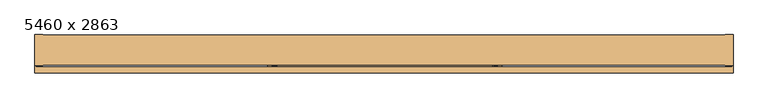
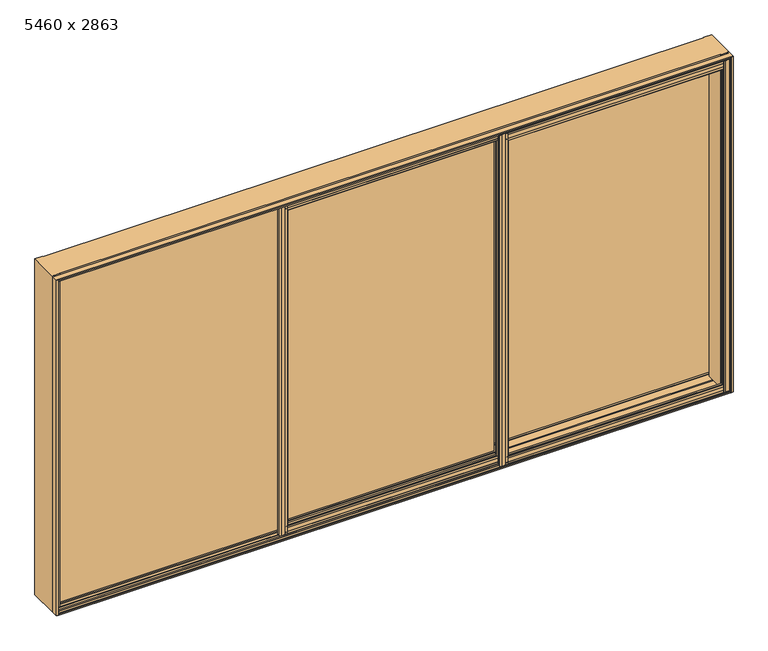
"""IFC4 building model written with IfcOpenShell, lengths in millimetres: door geometry, 5460 x 2863."""

import ifcopenshell
import ifcopenshell.guid

model = None  # the IFC model being written
_history = None  # IfcOwnerHistory: only IFC2X3 demands one
_inside = {}  # id of a spatial element -> (the spatial element, [elements in it])
_under = {}  # id of a project, library or spatial element -> (it, [spatial elements below it])
_declared = {}  # id of a project -> (the project, [libraries it declares])
_typed = {}  # id of a type object -> (the type object, [elements of that type])
_made_of = {}  # id of a material, layer set ... -> (it, [elements and type objects made of it])


def new_model(schema):
    """Start an empty IFC model of exactly this schema.

    Asked for "IFC4X3", IfcOpenShell would pick the latest addendum, in which some entities
    have other attributes; the version numbers below select the first issue.
    IFC2X3 requires an IfcOwnerHistory on every rooted entity: one is made here for all.
    """
    global model, _history
    if schema == "IFC4X3":
        model = ifcopenshell.file(schema_version=(4, 3, 0, 0))
    else:
        model = ifcopenshell.file(schema=schema)
    _inside.clear()
    _under.clear()
    _declared.clear()
    _typed.clear()
    _made_of.clear()
    _history = None
    if model.schema == "IFC2X3":
        org = make("IfcOrganization", Name="unknown")
        user = make(
            "IfcPersonAndOrganization",
            ThePerson=make("IfcPerson", FamilyName="unknown"),
            TheOrganization=org,
        )
        app = make(
            "IfcApplication",
            ApplicationDeveloper=org,
            Version="unknown",
            ApplicationFullName="unknown",
            ApplicationIdentifier="unknown",
        )
        _history = make(
            "IfcOwnerHistory",
            OwningUser=user,
            OwningApplication=app,
            ChangeAction="ADDED",
            CreationDate=0,
        )
    return model


def make(cls, **values):
    """One entity of the class cls with the attributes given. An attribute that is None is left unset."""
    return model.create_entity(
        cls, **{name: value for name, value in values.items() if value is not None}
    )


def rooted(cls, **values):
    """An entity with a GlobalId (a new one), such as an element, a storey or a relation."""
    return make(cls, GlobalId=ifcopenshell.guid.new(), OwnerHistory=_history, **values)


def si_unit(unit_type, name, prefix=None):
    """IfcSIUnit, for example si_unit("LENGTHUNIT", "METRE", prefix="MILLI")."""
    return make("IfcSIUnit", UnitType=unit_type, Prefix=prefix, Name=name)


def assignment(units):
    """IfcUnitAssignment: the units of a project."""
    return None if units is None else make("IfcUnitAssignment", Units=units)


def point(xyz):
    """IfcCartesianPoint."""
    return None if xyz is None else make("IfcCartesianPoint", Coordinates=xyz)


def direction(xyz):
    """IfcDirection."""
    return None if xyz is None else make("IfcDirection", DirectionRatios=xyz)


def frame(location, z_axis=None, x_axis=None):
    """IfcAxis2Placement3D, a coordinate frame: its origin and axes. An axis left out is left unset."""
    return make(
        "IfcAxis2Placement3D",
        Location=point(location),
        Axis=direction(z_axis),
        RefDirection=direction(x_axis),
    )


def origin():
    """The frame at (0, 0, 0) with its axes left unset."""
    return frame((0.0, 0.0, 0.0))


def origin_with_axes():
    """The frame at (0, 0, 0) with the z axis (0, 0, 1) and the x axis (1, 0, 0) written out."""
    return frame((0.0, 0.0, 0.0), z_axis=(0.0, 0.0, 1.0), x_axis=(1.0, 0.0, 0.0))


def place(relative_to, where):
    """IfcLocalPlacement: puts the frame where relative to a parent placement (None: the world)."""
    return make(
        "IfcLocalPlacement", PlacementRelTo=relative_to, RelativePlacement=where
    )


def context(
    kind, dimensions, precision=None, world=None, true_north=None, identifier=None
):
    """IfcGeometricRepresentationContext, for example the 3D "Model" context."""
    return make(
        "IfcGeometricRepresentationContext",
        ContextIdentifier=identifier,
        ContextType=kind,
        CoordinateSpaceDimension=dimensions,
        Precision=precision,
        WorldCoordinateSystem=world,
        TrueNorth=true_north,
    )


def project(units=None, contexts=None):
    """IfcProject with its units and contexts."""
    return rooted(
        "IfcProject",
        Name="project",
        RepresentationContexts=contexts,
        UnitsInContext=assignment(units),
    )


def spatial(cls, under=None, at=None, **own):
    """A site, building, storey or space (cls), placed at a placement, below another one or the project."""
    s = rooted(cls, ObjectPlacement=at, **own)
    if under is not None:
        _under.setdefault(under.id(), (under, []))[1].append(s)
    return s


def polyline(points):
    """IfcPolyline through the points."""
    return make("IfcPolyline", Points=[point(p) for p in points])


def outline(outer, holes=None, kind="AREA"):
    """IfcArbitraryClosedProfileDef: a profile drawn as a closed curve; with holes, ...WithVoids."""
    if holes is None:
        return make("IfcArbitraryClosedProfileDef", ProfileType=kind, OuterCurve=outer)
    return make(
        "IfcArbitraryProfileDefWithVoids",
        ProfileType=kind,
        OuterCurve=outer,
        InnerCurves=holes,
    )


def extrude(swept, where, along, depth):
    """IfcExtrudedAreaSolid: the profile swept, set in the frame where, extruded along a direction by depth."""
    return make(
        "IfcExtrudedAreaSolid",
        SweptArea=swept,
        Position=where,
        ExtrudedDirection=direction(along),
        Depth=depth,
    )


def faces_of(points, faces, orient=None, outer=None):
    """IfcFace entities. A face is a list of loops; a loop is a list of indices into points, from 0.

    orient and outer hold one flag for each loop. By default every Orientation is true, the
    first loop of a face is its IfcFaceOuterBound and the others are IfcFaceBound.
    """
    made = []
    for i, loops in enumerate(faces):
        bounds = []
        for j, loop in enumerate(loops):
            is_outer = j == 0 if outer is None else outer[i][j]
            bounds.append(
                make(
                    "IfcFaceOuterBound" if is_outer else "IfcFaceBound",
                    Bound=make("IfcPolyLoop", Polygon=[points[k] for k in loop]),
                    Orientation=True if orient is None else orient[i][j],
                )
            )
        made.append(make("IfcFace", Bounds=bounds))
    return made


def faceted_brep(points, faces, orient=None, outer=None, voids=None):
    """IfcFacetedBrep: a solid bounded by flat faces; with voids (closed shells), ...WithVoids."""
    shared = [point(p) for p in points]
    hull = make("IfcClosedShell", CfsFaces=faces_of(shared, faces, orient, outer))
    if voids is None:
        return make("IfcFacetedBrep", Outer=hull)
    return make(
        "IfcFacetedBrepWithVoids",
        Outer=hull,
        Voids=[
            make(cls, CfsFaces=faces_of(shared, fs, o, b)) for cls, fs, o, b in voids
        ],
    )


def shape(context_of_items, identifier, shape_type, items):
    """IfcShapeRepresentation: the items that make up one representation, for example the "Body"."""
    return make(
        "IfcShapeRepresentation",
        ContextOfItems=context_of_items,
        RepresentationIdentifier=identifier,
        RepresentationType=shape_type,
        Items=items,
    )


def source(mapping_origin, context_of_items, identifier, shape_type, items):
    """IfcRepresentationMap: a shape defined once, which mapped items show again and again."""
    return make(
        "IfcRepresentationMap",
        MappingOrigin=mapping_origin,
        MappedRepresentation=shape(context_of_items, identifier, shape_type, items),
    )


def transform(
    local_origin,
    x_axis=None,
    y_axis=None,
    z_axis=None,
    scale=None,
    scale2=None,
    scale3=None,
    uniform=True,
):
    """IfcCartesianTransformationOperator3D, or its non-uniform kind. x_axis, y_axis, z_axis: its Axis1, 2, 3."""
    if uniform:
        return make(
            "IfcCartesianTransformationOperator3D",
            Axis1=direction(x_axis),
            Axis2=direction(y_axis),
            LocalOrigin=point(local_origin),
            Scale=scale,
            Axis3=direction(z_axis),
        )
    return make(
        "IfcCartesianTransformationOperator3DnonUniform",
        Axis1=direction(x_axis),
        Axis2=direction(y_axis),
        LocalOrigin=point(local_origin),
        Scale=scale,
        Axis3=direction(z_axis),
        Scale2=scale2,
        Scale3=scale3,
    )


def mapped(mapping_source, mapping_target):
    """IfcMappedItem: shows the shape of a source again, moved by a transform."""
    return make(
        "IfcMappedItem", MappingSource=mapping_source, MappingTarget=mapping_target
    )


def made_of(thing, what):
    """Note that an element or type object is made of a material, layer set ...; save() writes the relation."""
    if what is not None:
        _made_of.setdefault(what.id(), (what, []))[1].append(thing)
    return thing


def element(
    cls,
    number,
    at=None,
    inside=None,
    cuts=None,
    type_object=None,
    material=None,
    context=None,
    identifier="Body",
    shape_type=None,
    held_by="IfcProductDefinitionShape",
    body=None,
    shapes=None,
    **own,
):
    """One element of the class cls, such as IfcWall. Its Tag is "e" and its number.

    at: its placement. inside: the storey or other place that contains it. cuts: it is an
    opening in that element (IfcRelVoidsElement). A single representation is given by context,
    identifier, shape_type and body (its items); several are given by shapes. held_by: the class
    of the entity that holds the representations. save() writes the other relations.
    """
    e = rooted(cls, Tag="e%d" % number, ObjectPlacement=at, **own)
    if body is not None:
        shapes = [shape(context, identifier, shape_type, body)]
    if shapes is not None:
        e.Representation = make(held_by, Representations=shapes)
    if inside is not None:
        _inside.setdefault(inside.id(), (inside, []))[1].append(e)
    if cuts is not None:
        rooted(
            "IfcRelVoidsElement", RelatingBuildingElement=cuts, RelatedOpeningElement=e
        )
    if type_object is not None:
        _typed.setdefault(type_object.id(), (type_object, []))[1].append(e)
    return made_of(e, material)


def aggregate(whole, parts):
    """IfcRelAggregates: a whole, such as a stair, and the parts it consists of."""
    return rooted("IfcRelAggregates", RelatingObject=whole, RelatedObjects=parts)


def save(model, path):
    """Write the relations noted so far, then the file.

    IfcRelAggregates (storeys below a building ...), IfcRelContainedInSpatialStructure (elements
    in a storey), IfcRelDefinesByType, IfcRelAssociatesMaterial and IfcRelDeclares: one each for
    every whole, place, type object, material and project.
    """
    for whole, parts in _under.values():
        aggregate(whole, parts)
    for where, things in _inside.values():
        rooted(
            "IfcRelContainedInSpatialStructure",
            RelatedElements=things,
            RelatingStructure=where,
        )
    for kind, things in _typed.values():
        rooted("IfcRelDefinesByType", RelatedObjects=things, RelatingType=kind)
    for what, things in _made_of.values():
        rooted("IfcRelAssociatesMaterial", RelatedObjects=things, RelatingMaterial=what)
    for by, libraries in _declared.values():
        rooted("IfcRelDeclares", RelatingContext=by, RelatedDefinitions=libraries)
    model.write(path)


def door_5460_x_2863_671ad5c5(model_context):
    return source(origin(), model_context, "Body", "SolidModel", [
        faceted_brep([(-2640.6421053, -113.75, 2846.1578947), (-2640.6421053, -111.75, 2846.1578947), (2693.0684211, -111.75, 2846.1578947), (2693.0684211, -113.75, 2846.1578947), (2756.2, -113.75, 2846.1578947), (2756.2, 126.25, 2846.1578947), (2693.0684211, 126.25, 2846.1578947), (2693.0684211, 123.6801444, 2846.1578947), (-2640.6684211, 123.6801444, 2846.1578947), (-2640.6684211, 126.25, 2846.1578947), (-2703.8, 126.25, 2846.1578947), (-2703.8, -113.75, 2846.1578947), (-2640.6684211, 126.25, -16.8421053), (-2640.6684211, 123.6801444, -16.8421053), (2693.0684211, 123.6801444, -16.8421053), (2693.0684211, 126.25, -16.8421053), (2756.2, 126.25, -16.8421053), (2756.2, -113.75, -16.8421053), (2693.0684211, -113.75, -16.8421053), (2693.0684211, -111.75, -16.8421053), (-2640.6421053, -111.75, -16.8421053), (-2640.6421053, -113.75, -16.8421053), (-2703.8, -113.75, -16.8421053), (-2703.8, 126.25, -16.8421053), (-2640.6421053, -111.75, 0.0), (-2640.6421053, -107.1507824, 0.0), (-2640.6421053, -107.1507824, 2782.6578949), (-2640.6421053, -111.75, 2782.6578949), (-2640.6421053, -107.1507824, 2827.0578949), (-2640.6421053, -109.9698442, 2827.0578949), (-2640.6421053, -109.9698442, 2795.6578949), (-2640.6421053, -107.1507824, 2795.6578949), (-2640.6684211, 123.6801444, 2782.6578949), (-2640.6684211, 119.65, 2782.6578949), (-2640.6684211, 119.65, 2795.6578949), (-2640.6684211, 121.8999885, 2795.6578949), (-2640.6684211, 121.8999885, 2826.6578949), (-2640.6684211, 87.9289475, 2826.6578949), (-2640.6684211, 87.9289475, 2831.3598923), (-2640.6684211, 66.7229624, 2831.3598923), (-2640.6684211, 66.7229624, 2826.6578949), (-2640.6684211, 47.7499996, 2826.6578949), (-2640.6684211, 47.7499996, 2782.2578949), (-2640.6684211, 41.5500037, 2782.2578949), (-2640.6684211, 41.5500037, 2826.6578949), (-2640.6684211, 9.8289474, 2826.6578949), (-2640.6684211, 9.8289474, 2831.3598923), (-2640.6684211, -11.0131579, 2831.3598923), (-2640.6684211, -11.0131579, 2826.6578949), (-2640.6684211, -30.3507824, 2826.6578949), (-2640.6684211, -30.3507824, 2782.6578949), (-2640.6684211, -35.8552632, 2782.6578949), (-2640.6684211, -35.8552632, 0.0), (-2640.6684211, -7.0131579, 0.0), (-2640.6684211, -7.0131579, -14.8421053), (-2640.6684211, 5.8289474, -14.8421053), (-2640.6684211, 5.8289474, 0.0), (-2640.6684211, 70.5657895, 0.0), (-2640.6684211, 70.5657895, -14.8421053), (-2640.6684211, 83.5131579, -14.8421053), (-2640.6684211, 83.5131579, 0.0), (-2640.6684211, 123.6801444, 0.0), (-2651.6999697, -35.8552632, 2782.6578949), (-2651.6999697, -35.8552632, 0.0), (-2651.6999697, -33.6447368, 2782.6578949), (-2651.6999697, -33.6447368, 0.0), (-2679.0, -33.6447368, 2782.6578949), (-2679.0, -33.6447368, 0.0), (-2679.0, -36.5507783, 2782.6578949), (-2679.0, -36.5507783, 2827.0578949), (-2679.0, -67.8552632, 2827.0578949), (-2679.0, -67.8552632, 2831.3598923), (-2679.0, -88.6973684, 2831.3598923), (-2679.0, -88.6973684, 2827.0578949), (-2679.0, -109.2507824, 2827.0578949), (-2679.0, -109.2507824, 2795.6578949), (-2679.0, -107.1507824, 2795.6578949), (-2679.0, -107.1507824, 2782.6578949), (-2679.0, -109.2507824, 2782.6578949), (-2679.0, -109.2507824, 0.0), (-2679.0, -84.6973684, 0.0), (-2679.0, -84.6973684, -14.8421053), (-2679.0, -71.8552632, -14.8421053), (-2679.0, -71.8552632, 0.0), (-2651.6999697, -109.2507824, 2827.0578949), (-2651.6999697, -109.2507824, 2795.6578949), (-2651.6999697, -109.2507824, 2782.6578949), (-2651.6999697, -109.2507824, 0.0), (-2651.6999697, -107.1507824, 2827.0578949), (-2651.6999697, -107.1507824, 2795.6578949), (-2651.6999697, -107.1507824, 2782.6578949), (-2651.6999697, -107.1507824, 0.0), (2693.0684211, -107.1507824, 2795.6578949), (2693.0684211, -107.1507824, 2782.6578949), (2693.0684211, -111.75, 2782.6578949), (2693.0684211, -109.9698442, 2795.6578949), (2693.0684211, -109.9698442, 2827.0578949), (2693.0684211, -88.6973684, 2827.0578949), (2693.0684211, -88.6973684, 2831.3598923), (2693.0684211, -67.8552632, 2831.3598923), (2693.0684211, -67.8552632, 2827.0578949), (2693.0684211, -36.5507783, 2827.0578949), (2693.0684211, -36.5507783, 2782.6578949), (2693.0684211, -30.3507824, 2782.6578949), (2693.0684211, -30.3507824, 2826.6578949), (2693.0684211, -11.0131579, 2826.6578949), (2693.0684211, -11.0131579, 2831.3598923), (2693.0684211, 9.8289474, 2831.3598923), (2693.0684211, 9.8289474, 2826.6578949), (2693.0684211, 41.5500037, 2826.6578949), (2693.0684211, 41.5500037, 2782.2578949), (2693.0684211, 47.7499996, 2782.2578949), (2693.0684211, 47.7499996, 2826.6578949), (2693.0684211, 48.1447368, 2826.6578949), (2693.0684211, 48.1447368, 0.0), (2693.0684211, 5.8289474, 0.0), (2693.0684211, 5.8289474, -14.8421053), (2693.0684211, -7.0131579, -14.8421053), (2693.0684211, -7.0131579, 0.0), (2693.0684211, -71.8552632, 0.0), (2693.0684211, -71.8552632, -14.8421053), (2693.0684211, -84.6973684, -14.8421053), (2693.0684211, -84.6973684, 0.0), (2693.0684211, -111.75, 0.0), (2703.9, 48.1447368, 2826.6578949), (2703.9, 48.1447368, 0.0), (2703.9, 47.7499996, 2826.6578949), (2703.9, 47.7499996, 2782.2578949), (2703.9, 45.6499996, 2782.2578949), (2703.9, 45.6499996, 0.0), (2731.5, 45.6499996, 2782.2578949), (2731.5, 45.6499996, 0.0), (2731.5, 47.7499996, 2782.2578949), (2731.5, 47.7499996, 2826.6578949), (2731.5, 66.7229624, 2826.6578949), (2731.5, 66.7229624, 2831.3598923), (2731.5, 87.9289475, 2831.3598923), (2731.5, 87.9289475, 2826.6578949), (2731.5, 121.8999885, 2826.6578949), (2731.5, 121.8999885, 2795.6578949), (2731.5, 119.65, 2795.6578949), (2731.5, 119.65, 2782.6578949), (2731.5, 123.6801444, 2782.6578949), (2731.5, 123.6801444, 0.0), (2731.5, 83.5131579, 0.0), (2731.5, 83.5131579, -14.8421053), (2731.5, 70.5657895, -14.8421053), (2731.5, 70.5657895, 0.0), (2704.3315789, 123.6801444, 2782.6578949), (2704.3315789, 123.6801444, 0.0), (2704.3315789, 119.65, 2782.6578949), (2704.3315789, 119.65, 0.0), (2704.3315789, 119.65, 2795.6578949), (2704.3315789, 121.8999885, 2795.6578949), (2704.3315789, 121.8999885, 2826.6578949), (2704.3315789, 119.65, 2826.6578949), (2693.0684211, 119.65, 2826.6578949), (2693.0684211, 119.65, 2795.6578949), (2693.0684211, 119.65, 2782.6578949), (2693.0684211, 119.65, 0.0), (2693.0684211, 123.6801444, 0.0), (2693.0684211, 123.6801444, 2782.6578949), (2693.0684211, 121.8999885, 2826.6578949), (2693.0684211, 121.8999885, 2795.6578949)], [[[0, 1, 2, 3, 4, 5, 6, 7, 8, 9, 10, 11]], [[12, 13, 14, 15, 16, 17, 18, 19, 20, 21, 22, 23]], [[11, 22, 21, 0]], [[10, 23, 22, 11]], [[9, 12, 23, 10]], [[21, 20, 24, 25, 26, 27, 1, 0]], [[28, 29, 30, 31]], [[9, 8, 32, 33, 34, 35, 36, 37, 38, 39, 40, 41, 42, 43, 44, 45, 46, 47, 48, 49, 50, 51, 52, 53, 54, 55, 56, 57, 58, 59, 60, 61, 13, 12]], [[51, 62, 63, 52]], [[62, 64, 65, 63]], [[64, 66, 67, 65]], [[66, 68, 69, 70, 71, 72, 73, 74, 75, 76, 77, 78, 79, 80, 81, 82, 83, 67]], [[74, 84, 85, 75]], [[78, 86, 87, 79]], [[84, 88, 89, 85]], [[86, 90, 91, 87]], [[31, 92, 93, 26, 25, 91, 90, 77, 76, 89, 88, 28]], [[3, 18, 17, 4]], [[3, 2, 94, 93, 92, 95, 96, 97, 98, 99, 100, 101, 102, 103, 104, 105, 106, 107, 108, 109, 110, 111, 112, 113, 114, 115, 116, 117, 118, 119, 120, 121, 122, 123, 19, 18]], [[113, 124, 125, 114]], [[124, 126, 127, 128, 129, 125]], [[128, 130, 131, 129]], [[130, 132, 133, 134, 135, 136, 137, 138, 139, 140, 141, 142, 143, 144, 145, 146, 147, 131]], [[142, 148, 149, 143]], [[148, 150, 151, 149]], [[152, 153, 154, 155]], [[155, 156, 157, 34, 33, 158, 159, 151, 150, 141, 140, 152]], [[15, 14, 160, 159, 158, 161, 7, 6]], [[156, 162, 163, 157]], [[5, 16, 15, 6]], [[16, 5, 4, 17]], [[119, 118, 53, 52, 63, 65, 67, 83]], [[118, 117, 54, 53]], [[117, 116, 55, 54]], [[116, 115, 56, 55]], [[115, 114, 125, 129, 131, 147, 57, 56]], [[147, 146, 58, 57]], [[146, 145, 59, 58]], [[145, 144, 60, 59]], [[13, 61, 160, 14]], [[7, 161, 32, 8]], [[150, 148, 142, 141]], [[161, 158, 33, 32]], [[140, 139, 153, 152]], [[157, 163, 35, 34]], [[139, 138, 154, 153]], [[163, 162, 36, 35]], [[134, 133, 126, 124, 113, 112, 41, 40]], [[112, 111, 42, 41]], [[133, 132, 127, 126]], [[111, 110, 43, 42]], [[132, 130, 128, 127]], [[110, 109, 44, 43]], [[109, 108, 45, 44]], [[104, 103, 50, 49]], [[1, 27, 94, 2]], [[19, 123, 24, 20]], [[138, 137, 37, 36, 162, 156, 155, 154]], [[137, 136, 38, 37]], [[136, 135, 39, 38]], [[40, 39, 135, 134]], [[108, 107, 46, 45]], [[107, 106, 47, 46]], [[106, 105, 48, 47]], [[49, 48, 105, 104]], [[123, 122, 80, 79, 87, 91, 25, 24]], [[122, 121, 81, 80]], [[121, 120, 82, 81]], [[83, 82, 120, 119]], [[61, 60, 144, 143, 149, 151, 159, 160]], [[103, 102, 68, 66, 64, 62, 51, 50]], [[102, 101, 69, 68]], [[101, 100, 70, 69]], [[100, 99, 71, 70]], [[99, 98, 72, 71]], [[98, 97, 73, 72]], [[97, 96, 29, 28, 88, 84, 74, 73]], [[96, 95, 30, 29]], [[76, 75, 85, 89]], [[95, 92, 31, 30]], [[27, 26, 93, 94]], [[90, 86, 78, 77]]]),
        extrude(outline(polyline([(-818.9844782, -135.05), (-834.5666515, -135.05), (-834.5666515, -133.475), (-867.1666515, -133.475), (-867.1666515, -135.05), (-882.5666515, -135.05), (-882.5666515, -115.475), (-856.0666515, -115.475), (-856.0666515, -119.225), (-814.3666515, -119.225), (-814.3666515, -115.475), (-812.5666515, -115.475), (-812.5666515, -130.35), (-818.9844782, -130.35), (-818.9844782, -135.05)])), origin_with_axes(), (0.0, 0.0, 1.0), 2826.2136643),
        extrude(outline(polyline([(883.3928926, -135.05), (883.3928926, -130.35), (876.9750659, -130.35), (876.9750659, -115.475), (878.7750659, -115.475), (878.7750659, -119.225), (920.4667326, -119.225), (920.4667326, -115.475), (946.9667326, -115.475), (946.9667326, -135.05), (931.5667326, -135.05), (931.5667326, -133.475), (898.9667326, -133.475), (898.9667326, -135.05), (883.3928926, -135.05)])), origin_with_axes(), (0.0, 0.0, 1.0), 2826.2136643),
        extrude(outline(polyline([(940.5489059, -171.55), (924.9667326, -171.55), (924.9667326, -169.975), (892.3667326, -169.975), (892.3667326, -171.55), (876.9750659, -171.55), (876.9750659, -151.975), (903.4667326, -151.975), (903.4667326, -155.725), (945.1667326, -155.725), (945.1667326, -151.975), (946.9667326, -151.975), (946.9667326, -166.85), (940.5489059, -166.85), (940.5489059, -171.55)])), origin_with_axes(), (0.0, 0.0, 1.0), 2826.2136643),
        extrude(outline(polyline([(2681.5345744, -171.55), (2681.5345744, -166.85), (2675.1167478, -166.85), (2675.1167478, -151.975), (2676.9167478, -151.975), (2676.9167478, -155.725), (2718.6000811, -155.725), (2718.6000811, -151.975), (2745.1000811, -151.975), (2745.1000811, -171.55), (2729.7000811, -171.55), (2729.7000811, -169.975), (2697.1167478, -169.975), (2697.1167478, -171.55), (2681.5345744, -171.55)])), origin_with_axes(), (0.0, 0.0, 1.0), 2826.2136643),
        extrude(outline(polyline([(-135.05, 66.6894857), (-130.2823022, 66.6894857), (-130.2823022, 73.1073123), (-115.4073022, 73.1073123), (-115.4073022, 71.3073123), (-119.1573022, 71.3073123), (-119.1573022, 29.6073123), (-115.4073022, 29.6073123), (-115.4073022, 3.1073123), (-135.05, 3.1073123), (-135.05, 18.5073123), (-133.4073022, 18.5073123), (-133.4073022, 51.1073123), (-135.05, 51.1073123), (-135.05, 66.6894857)])), frame((-834.5666515, 0.0, 0.0), z_axis=(1.0, 0.0, 0.0), x_axis=(0.0, 1.0, 0.0)), (0.0, 0.0, 1.0), 1733.5333841),
        extrude(outline(polyline([(-134.8073022, 2762.6259102), (-134.8073022, 2778.2080835), (-133.2323022, 2778.2080835), (-133.2323022, 2810.8080835), (-134.8073022, 2810.8080835), (-134.8073022, 2826.2080835), (-115.2323022, 2826.2080835), (-115.2323022, 2799.7080835), (-118.9823022, 2799.7080835), (-118.9823022, 2758.0080835), (-115.2323022, 2758.0080835), (-115.2323022, 2756.2080835), (-130.1073022, 2756.2080835), (-130.1073022, 2762.6259102), (-134.8073022, 2762.6259102)])), frame((-834.5666515, 0.0, 0.0), z_axis=(1.0, 0.0, 0.0), x_axis=(0.0, 1.0, 0.0)), (0.0, 0.0, 1.0), 1733.5333841),
        extrude(outline(polyline([(-171.55, 66.6894857), (-166.85, 66.6894857), (-166.85, 73.1073123), (-151.9073022, 73.1073123), (-151.9073022, 71.3073123), (-155.6573022, 71.3073123), (-155.6573022, 29.6073123), (-151.9073022, 29.6073123), (-151.9073022, 3.1073123), (-171.4823022, 3.1073123), (-171.4823022, 18.5073123), (-169.9073022, 18.5073123), (-169.9073022, 51.1073123), (-171.55, 51.1073123), (-171.55, 66.6894857)])), frame((924.9667326, 0.0, 0.0), z_axis=(1.0, 0.0, 0.0), x_axis=(0.0, 1.0, 0.0)), (0.0, 0.0, 1.0), 1772.1500152),
        extrude(outline(polyline([(-171.55, 2762.6259102), (-171.55, 2778.2080835), (-169.9073022, 2778.2080835), (-169.9073022, 2810.8080835), (-171.55, 2810.8080835), (-171.55, 2826.2080835), (-151.9073022, 2826.2080835), (-151.9073022, 2799.7080835), (-155.6573022, 2799.7080835), (-155.6573022, 2758.0080835), (-151.9073022, 2758.0080835), (-151.9073022, 2756.2080835), (-166.7823022, 2756.2080835), (-166.7823022, 2762.6259102), (-171.55, 2762.6259102)])), frame((924.9667326, 0.0, 0.0), z_axis=(1.0, 0.0, 0.0), x_axis=(0.0, 1.0, 0.0)), (0.0, 0.0, 1.0), 1772.1500152),
        faceted_brep([(-2703.8, -113.75, 2846.1578947), (-2703.8, -175.45, 2846.1578947), (-2687.8, -175.45, 2846.1578947), (-2687.8, -173.7823022, 2846.1578947), (-2696.945843, -173.7823022, 2846.1578947), (-2696.945843, -173.4823022, 2846.1578947), (2749.345843, -173.4823022, 2846.1578947), (2749.345843, -173.7823022, 2846.1578947), (2740.2, -173.7823022, 2846.1578947), (2740.2, -175.45, 2846.1578947), (2756.2, -175.45, 2846.1578947), (2756.2, -113.75, 2846.1578947), (2740.2, -113.75, 2846.1578947), (2740.2, -115.4853958, 2846.1578947), (2749.345843, -115.4853958, 2846.1578947), (2749.345843, -124.8, 2846.1578947), (-2696.945843, -124.8, 2846.1578947), (-2696.945843, -115.4853958, 2846.1578947), (-2687.8, -115.4853958, 2846.1578947), (-2687.8, -113.75, 2846.1578947), (-2703.8, -175.45, -16.8421053), (-2703.8, -113.75, -16.8421053), (-2687.8, -113.75, -16.8421053), (-2687.8, -115.4853958, -16.8421053), (-2696.945843, -115.4853958, -16.8421053), (-2696.945843, -124.8, -16.8421053), (-2682.2, -124.8, -16.8421053), (-2682.2, -125.2823022, -16.8421053), (2749.345843, -125.2823022, -16.8421053), (2749.345843, -115.4853958, -16.8421053), (2740.2, -115.4853958, -16.8421053), (2740.2, -113.75, -16.8421053), (2756.2, -113.75, -16.8421053), (2756.2, -175.45, -16.8421053), (2740.2, -175.45, -16.8421053), (2740.2, -173.7823022, -16.8421053), (2749.345843, -173.7823022, -16.8421053), (2749.345843, -173.4823022, -16.8421053), (-2696.945843, -173.4823022, -16.8421053), (-2696.945843, -173.7823022, -16.8421053), (-2687.8, -173.7823022, -16.8421053), (-2687.8, -175.45, -16.8421053), (2749.345843, -124.8, 2820.1028253), (-2682.2, -124.8, 2820.1028253), (-2682.2, -127.9, 2820.1028253), (-2682.2, -127.9, 9.2129642), (-2682.2, -125.2823022, 9.2129642), (2749.345843, -127.9, 2820.1028253), (2749.345843, -127.9, 2836.1578955), (-2696.945843, -127.9, 2836.1578955), (-2696.945843, -127.9, -6.842106), (2749.345843, -127.9, -6.842106), (2749.345843, -127.9, 9.2129642), (-2696.945843, -161.3, 2836.1578955), (-2696.945843, -161.3, -6.842106), (2749.345843, -161.3, 2836.1578955), (2749.345843, -161.3, -6.842106), (-2682.2, -161.3, 2820.1028253), (-2682.2, -161.3, 9.2129642), (2734.6, -161.3, 9.2129642), (2734.6, -161.3, 2820.1028253), (-2682.2, -164.4, 2820.1028253), (-2682.2, -164.4, 9.2129642), (-2696.945843, -164.4, 2838.1578955), (-2696.945843, -164.4, -8.842106), (2749.345843, -164.4, -8.842106), (2749.345843, -164.4, 2838.1578955), (2734.6, -164.4, 2820.1028253), (2734.6, -164.4, 9.2129642), (-2696.945843, -173.4823022, -11.842106), (-2696.945843, -167.4823022, -8.842106), (-2696.945843, -167.4823022, 2838.1578955), (-2696.945843, -173.4823022, 2841.1578955), (2749.345843, -173.4823022, 2841.1578955), (2749.345843, -167.4823022, 2838.1578955), (2749.345843, -167.4823022, -8.842106), (2749.345843, -173.4823022, -11.842106), (2749.345843, -125.2823022, 9.2129642)], [[[0, 1, 2, 3, 4, 5, 6, 7, 8, 9, 10, 11, 12, 13, 14, 15, 16, 17, 18, 19]], [[20, 21, 22, 23, 24, 25, 26, 27, 28, 29, 30, 31, 32, 33, 34, 35, 36, 37, 38, 39, 40, 41]], [[0, 21, 20, 1]], [[19, 22, 21, 0]], [[18, 23, 22, 19]], [[17, 24, 23, 18]], [[25, 24, 17, 16]], [[15, 42, 43, 26, 25, 16]], [[26, 43, 44, 45, 46, 27]], [[44, 47, 48, 49, 50, 51, 52, 45]], [[49, 53, 54, 50]], [[53, 55, 56, 54], [57, 58, 59, 60]], [[57, 61, 62, 58]], [[63, 64, 65, 66], [61, 67, 68, 62]], [[39, 38, 69, 70, 64, 63, 71, 72, 5, 4]], [[3, 40, 39, 4]], [[2, 41, 40, 3]], [[1, 20, 41, 2]], [[9, 34, 33, 10]], [[8, 35, 34, 9]], [[7, 36, 35, 8]], [[7, 6, 73, 74, 66, 65, 75, 76, 37, 36]], [[67, 60, 59, 68]], [[29, 28, 77, 52, 51, 56, 55, 48, 47, 42, 15, 14]], [[13, 30, 29, 14]], [[12, 31, 30, 13]], [[11, 32, 31, 12]], [[32, 11, 10, 33]], [[76, 75, 70, 69]], [[64, 70, 75, 65]], [[68, 59, 58, 62]], [[56, 51, 50, 54]], [[52, 77, 46, 45]], [[27, 46, 77, 28]], [[37, 76, 69, 38]], [[5, 72, 73, 6]], [[42, 47, 44, 43]], [[53, 49, 48, 55]], [[61, 57, 60, 67]], [[66, 74, 71, 63]], [[72, 71, 74, 73]]]),
        extrude(outline(polyline([(-868.0368421, -87.9605263), (-2656.5368421, -87.9605263), (-2656.5368421, -81.9605263), (-868.0368421, -81.9605263), (-868.0368421, -87.9605263)])), frame((0.0, 0.0, 24.1052632), z_axis=(0.0, 0.0, 1.0), x_axis=(1.0, 0.0, 0.0)), (0.0, 0.0, 1.0), 2774.6210526),
        extrude(outline(polyline([(-868.0368421, -64.0657895), (-868.0368421, -69.9605263), (-2656.5368421, -69.9605263), (-2656.5368421, -64.0657895), (-868.0368421, -64.0657895)])), frame((0.0, 0.0, 24.1052632), z_axis=(0.0, 0.0, 1.0), x_axis=(1.0, 0.0, 0.0)), (0.0, 0.0, 1.0), 2774.6210526),
        extrude(outline(polyline([(920.4631579, -10.2815789), (-868.0368421, -10.2815789), (-868.0368421, -4.2763158), (920.4631579, -4.2763158), (920.4631579, -10.2815789)])), frame((0.0, 0.0, 24.1052632), z_axis=(0.0, 0.0, 1.0), x_axis=(1.0, 0.0, 0.0)), (0.0, 0.0, 1.0), 2774.6210526),
        extrude(outline(polyline([(920.4631579, 7.7236842), (-868.0368421, 7.7236842), (-868.0368421, 13.6184211), (920.4631579, 13.6184211), (920.4631579, 7.7236842)])), frame((0.0, 0.0, 24.1052632), z_axis=(0.0, 0.0, 1.0), x_axis=(1.0, 0.0, 0.0)), (0.0, 0.0, 1.0), 2774.6210526),
        extrude(outline(polyline([(2708.9631579, 67.4078947), (920.4631579, 67.4078947), (920.4631579, 73.4078947), (2708.9631579, 73.4078947), (2708.9631579, 67.4078947)])), frame((0.0, 0.0, 24.1052632), z_axis=(0.0, 0.0, 1.0), x_axis=(1.0, 0.0, 0.0)), (0.0, 0.0, 1.0), 2774.6210526),
        extrude(outline(polyline([(920.4631579, 91.258453), (2708.9631579, 91.258453), (2708.9631579, 85.3026316), (920.4631579, 85.3026316), (920.4631579, 91.258453)])), frame((0.0, 0.0, 24.1052632), z_axis=(0.0, 0.0, 1.0), x_axis=(1.0, 0.0, 0.0)), (0.0, 0.0, 1.0), 2774.6210526),
    ])


if __name__ == "__main__":
    model = new_model("IFC4")
    model_context = context("Model", 3, world=origin())
    ifc_project = project(units=[si_unit("LENGTHUNIT", "METRE", prefix="MILLI")], contexts=[model_context])
    site = spatial("IfcSite", under=ifc_project)
    building = spatial("IfcBuilding", under=site)
    placement = place(None, origin())
    door_5460_x_2863_shape = door_5460_x_2863_671ad5c5(model_context)
    element("IfcDoor", 1, ObjectType="5460 x 2863", at=placement, inside=building, context=model_context, shape_type="MappedRepresentation", body=[
        mapped(door_5460_x_2863_shape, transform((0.0, 0.0, 0.0), x_axis=(1.0, 0.0, 0.0), y_axis=(0.0, 1.0, 0.0), z_axis=(0.0, 0.0, 1.0))),
    ])
    save(model, "model.ifc")
